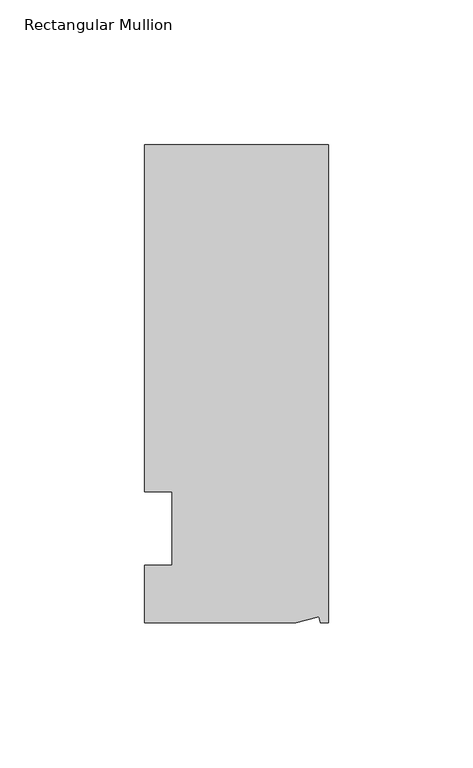
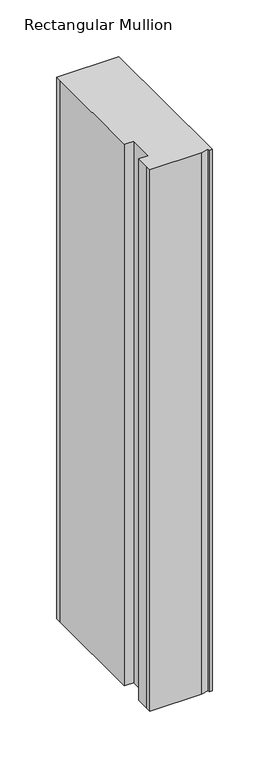
"""IFC4 building model written with IfcOpenShell, lengths in millimetres: member geometry, Rectangular Mullion."""

import ifcopenshell
import ifcopenshell.guid

model = None  # the IFC model being written
_history = None  # IfcOwnerHistory: only IFC2X3 demands one
_inside = {}  # id of a spatial element -> (the spatial element, [elements in it])
_under = {}  # id of a project, library or spatial element -> (it, [spatial elements below it])
_declared = {}  # id of a project -> (the project, [libraries it declares])
_typed = {}  # id of a type object -> (the type object, [elements of that type])
_made_of = {}  # id of a material, layer set ... -> (it, [elements and type objects made of it])


def new_model(schema):
    """Start an empty IFC model of exactly this schema.

    Asked for "IFC4X3", IfcOpenShell would pick the latest addendum, in which some entities
    have other attributes; the version numbers below select the first issue.
    IFC2X3 requires an IfcOwnerHistory on every rooted entity: one is made here for all.
    """
    global model, _history
    if schema == "IFC4X3":
        model = ifcopenshell.file(schema_version=(4, 3, 0, 0))
    else:
        model = ifcopenshell.file(schema=schema)
    _inside.clear()
    _under.clear()
    _declared.clear()
    _typed.clear()
    _made_of.clear()
    _history = None
    if model.schema == "IFC2X3":
        org = make("IfcOrganization", Name="unknown")
        user = make(
            "IfcPersonAndOrganization",
            ThePerson=make("IfcPerson", FamilyName="unknown"),
            TheOrganization=org,
        )
        app = make(
            "IfcApplication",
            ApplicationDeveloper=org,
            Version="unknown",
            ApplicationFullName="unknown",
            ApplicationIdentifier="unknown",
        )
        _history = make(
            "IfcOwnerHistory",
            OwningUser=user,
            OwningApplication=app,
            ChangeAction="ADDED",
            CreationDate=0,
        )
    return model


def make(cls, **values):
    """One entity of the class cls with the attributes given. An attribute that is None is left unset."""
    return model.create_entity(
        cls, **{name: value for name, value in values.items() if value is not None}
    )


def rooted(cls, **values):
    """An entity with a GlobalId (a new one), such as an element, a storey or a relation."""
    return make(cls, GlobalId=ifcopenshell.guid.new(), OwnerHistory=_history, **values)


def si_unit(unit_type, name, prefix=None):
    """IfcSIUnit, for example si_unit("LENGTHUNIT", "METRE", prefix="MILLI")."""
    return make("IfcSIUnit", UnitType=unit_type, Prefix=prefix, Name=name)


def assignment(units):
    """IfcUnitAssignment: the units of a project."""
    return None if units is None else make("IfcUnitAssignment", Units=units)


def point(xyz):
    """IfcCartesianPoint."""
    return None if xyz is None else make("IfcCartesianPoint", Coordinates=xyz)


def direction(xyz):
    """IfcDirection."""
    return None if xyz is None else make("IfcDirection", DirectionRatios=xyz)


def frame(location, z_axis=None, x_axis=None):
    """IfcAxis2Placement3D, a coordinate frame: its origin and axes. An axis left out is left unset."""
    return make(
        "IfcAxis2Placement3D",
        Location=point(location),
        Axis=direction(z_axis),
        RefDirection=direction(x_axis),
    )


def origin():
    """The frame at (0, 0, 0) with its axes left unset."""
    return frame((0.0, 0.0, 0.0))


def place(relative_to, where):
    """IfcLocalPlacement: puts the frame where relative to a parent placement (None: the world)."""
    return make(
        "IfcLocalPlacement", PlacementRelTo=relative_to, RelativePlacement=where
    )


def context(
    kind, dimensions, precision=None, world=None, true_north=None, identifier=None
):
    """IfcGeometricRepresentationContext, for example the 3D "Model" context."""
    return make(
        "IfcGeometricRepresentationContext",
        ContextIdentifier=identifier,
        ContextType=kind,
        CoordinateSpaceDimension=dimensions,
        Precision=precision,
        WorldCoordinateSystem=world,
        TrueNorth=true_north,
    )


def project(units=None, contexts=None):
    """IfcProject with its units and contexts."""
    return rooted(
        "IfcProject",
        Name="project",
        RepresentationContexts=contexts,
        UnitsInContext=assignment(units),
    )


def spatial(cls, under=None, at=None, **own):
    """A site, building, storey or space (cls), placed at a placement, below another one or the project."""
    s = rooted(cls, ObjectPlacement=at, **own)
    if under is not None:
        _under.setdefault(under.id(), (under, []))[1].append(s)
    return s


def polyline(points):
    """IfcPolyline through the points."""
    return make("IfcPolyline", Points=[point(p) for p in points])


def outline(outer, holes=None, kind="AREA"):
    """IfcArbitraryClosedProfileDef: a profile drawn as a closed curve; with holes, ...WithVoids."""
    if holes is None:
        return make("IfcArbitraryClosedProfileDef", ProfileType=kind, OuterCurve=outer)
    return make(
        "IfcArbitraryProfileDefWithVoids",
        ProfileType=kind,
        OuterCurve=outer,
        InnerCurves=holes,
    )


def extrude(swept, where, along, depth):
    """IfcExtrudedAreaSolid: the profile swept, set in the frame where, extruded along a direction by depth."""
    return make(
        "IfcExtrudedAreaSolid",
        SweptArea=swept,
        Position=where,
        ExtrudedDirection=direction(along),
        Depth=depth,
    )


def shape(context_of_items, identifier, shape_type, items):
    """IfcShapeRepresentation: the items that make up one representation, for example the "Body"."""
    return make(
        "IfcShapeRepresentation",
        ContextOfItems=context_of_items,
        RepresentationIdentifier=identifier,
        RepresentationType=shape_type,
        Items=items,
    )


def source(mapping_origin, context_of_items, identifier, shape_type, items):
    """IfcRepresentationMap: a shape defined once, which mapped items show again and again."""
    return make(
        "IfcRepresentationMap",
        MappingOrigin=mapping_origin,
        MappedRepresentation=shape(context_of_items, identifier, shape_type, items),
    )


def transform(
    local_origin,
    x_axis=None,
    y_axis=None,
    z_axis=None,
    scale=None,
    scale2=None,
    scale3=None,
    uniform=True,
):
    """IfcCartesianTransformationOperator3D, or its non-uniform kind. x_axis, y_axis, z_axis: its Axis1, 2, 3."""
    if uniform:
        return make(
            "IfcCartesianTransformationOperator3D",
            Axis1=direction(x_axis),
            Axis2=direction(y_axis),
            LocalOrigin=point(local_origin),
            Scale=scale,
            Axis3=direction(z_axis),
        )
    return make(
        "IfcCartesianTransformationOperator3DnonUniform",
        Axis1=direction(x_axis),
        Axis2=direction(y_axis),
        LocalOrigin=point(local_origin),
        Scale=scale,
        Axis3=direction(z_axis),
        Scale2=scale2,
        Scale3=scale3,
    )


def mapped(mapping_source, mapping_target):
    """IfcMappedItem: shows the shape of a source again, moved by a transform."""
    return make(
        "IfcMappedItem", MappingSource=mapping_source, MappingTarget=mapping_target
    )


def made_of(thing, what):
    """Note that an element or type object is made of a material, layer set ...; save() writes the relation."""
    if what is not None:
        _made_of.setdefault(what.id(), (what, []))[1].append(thing)
    return thing


def element(
    cls,
    number,
    at=None,
    inside=None,
    cuts=None,
    type_object=None,
    material=None,
    context=None,
    identifier="Body",
    shape_type=None,
    held_by="IfcProductDefinitionShape",
    body=None,
    shapes=None,
    **own,
):
    """One element of the class cls, such as IfcWall. Its Tag is "e" and its number.

    at: its placement. inside: the storey or other place that contains it. cuts: it is an
    opening in that element (IfcRelVoidsElement). A single representation is given by context,
    identifier, shape_type and body (its items); several are given by shapes. held_by: the class
    of the entity that holds the representations. save() writes the other relations.
    """
    e = rooted(cls, Tag="e%d" % number, ObjectPlacement=at, **own)
    if body is not None:
        shapes = [shape(context, identifier, shape_type, body)]
    if shapes is not None:
        e.Representation = make(held_by, Representations=shapes)
    if inside is not None:
        _inside.setdefault(inside.id(), (inside, []))[1].append(e)
    if cuts is not None:
        rooted(
            "IfcRelVoidsElement", RelatingBuildingElement=cuts, RelatedOpeningElement=e
        )
    if type_object is not None:
        _typed.setdefault(type_object.id(), (type_object, []))[1].append(e)
    return made_of(e, material)


def aggregate(whole, parts):
    """IfcRelAggregates: a whole, such as a stair, and the parts it consists of."""
    return rooted("IfcRelAggregates", RelatingObject=whole, RelatedObjects=parts)


def save(model, path):
    """Write the relations noted so far, then the file.

    IfcRelAggregates (storeys below a building ...), IfcRelContainedInSpatialStructure (elements
    in a storey), IfcRelDefinesByType, IfcRelAssociatesMaterial and IfcRelDeclares: one each for
    every whole, place, type object, material and project.
    """
    for whole, parts in _under.values():
        aggregate(whole, parts)
    for where, things in _inside.values():
        rooted(
            "IfcRelContainedInSpatialStructure",
            RelatedElements=things,
            RelatingStructure=where,
        )
    for kind, things in _typed.values():
        rooted("IfcRelDefinesByType", RelatedObjects=things, RelatingType=kind)
    for what, things in _made_of.values():
        rooted("IfcRelAssociatesMaterial", RelatedObjects=things, RelatingMaterial=what)
    for by, libraries in _declared.values():
        rooted("IfcRelDeclares", RelatingContext=by, RelatedDefinitions=libraries)
    model.write(path)


def rectangular_mullion_a27e8aa6(model_context):
    return source(origin(), model_context, "Body", "SweptSolid", [
        extrude(outline(polyline([(0.0, 132.5561012), (0.0, -32.5438988), (-2.7616541, -32.5438988), (-3.3341886, -30.4622958), (-11.121847, -32.5438988), (-63.5, -32.5438988), (-63.5, -26.1938988), (-63.5, -12.5945801), (-53.975, -12.5945801), (-53.975, 12.8054199), (-63.5, 12.8054199), (-63.5, 126.2061012), (-63.5, 132.5561012), (0.0, 132.5561012)])), frame((0.0, 0.0, -584.2), z_axis=(0.0, 0.0, 1.0), x_axis=(1.0, 0.0, 0.0)), (0.0, 0.0, 1.0), 584.2),
    ])


if __name__ == "__main__":
    model = new_model("IFC4")
    model_context = context("Model", 3, world=origin())
    ifc_project = project(units=[si_unit("LENGTHUNIT", "METRE", prefix="MILLI")], contexts=[model_context])
    site = spatial("IfcSite", under=ifc_project)
    building = spatial("IfcBuilding", under=site)
    placement = place(None, origin())
    rectangular_mullion_shape = rectangular_mullion_a27e8aa6(model_context)
    element("IfcMember", 1, ObjectType="Rectangular Mullion", at=placement, inside=building, context=model_context, shape_type="MappedRepresentation", body=[
        mapped(rectangular_mullion_shape, transform((0.0, 0.0, 0.0), x_axis=(1.0, 0.0, 0.0), y_axis=(0.0, 1.0, 0.0), z_axis=(0.0, 0.0, 1.0))),
    ])
    save(model, "model.ifc")
